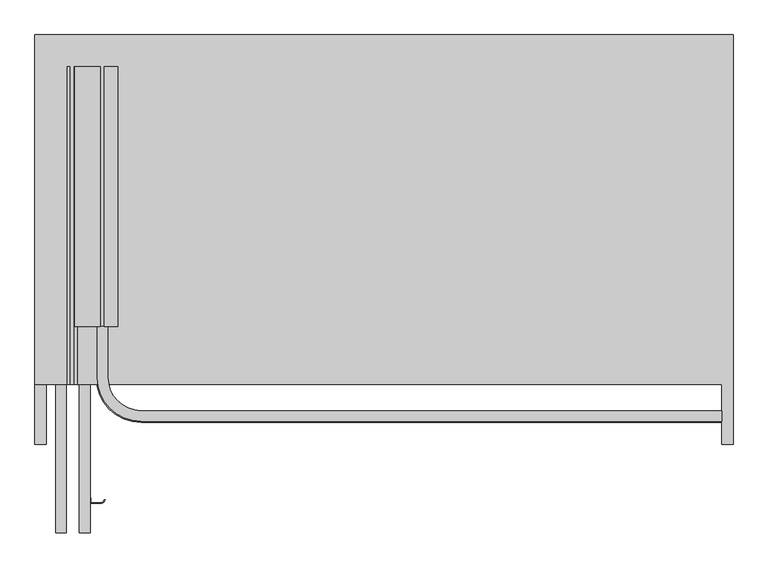
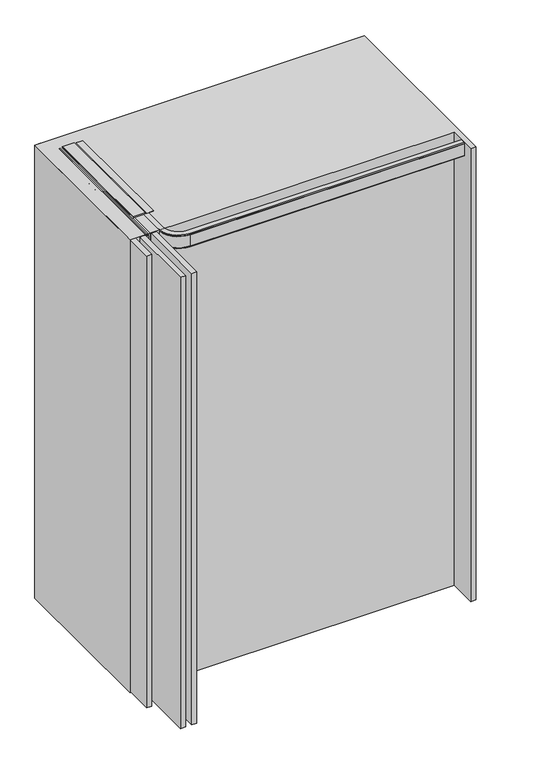
"""IFC4 building model written with IfcOpenShell, lengths in millimetres: furniture geometry."""

from ifc_helpers import new_model, si_unit, point, frame, frame_2d, origin, origin_with_axes, place, context, project, spatial, polyline, circle_curve, trimmed, segment, composite_curve, outline, extrude, faceted_brep, source, transform, mapped, element, save
from ifc_brep_helpers import plane_surface, cylinder_surface, revolved_surface, advanced_brep


def furniture_0ff66c88(model_context):
    return source(origin(), model_context, "Body", "SolidModel", [
        extrude(outline(composite_curve([segment(polyline([(-30.3, -211.2061986), (-13.2811682, -211.2061986)]), True, "CONTINUOUS"), segment(trimmed(circle_curve(frame_2d((-13.2811682, -204.2209172)), 6.9852814), [point((-13.2811682, -211.2061986))], [point((-6.5339045, -206.0288411))], True, "CARTESIAN"), True, "CONTINUOUS"), segment(polyline([(-6.5339045, -206.0288411), (-5.0850157, -206.4170696)]), True, "CONTINUOUS"), segment(trimmed(circle_curve(frame_2d((-13.2811682, -204.2209172)), 8.4852814), [point((-5.0850157, -206.4170696))], [point((-13.2811682, -212.7061986))], False, "CARTESIAN"), True, "CONTINUOUS"), segment(polyline([(-13.2811682, -212.7061986), (-31.8, -212.7061986), (-31.8, -202.7061986), (-30.3, -202.7061986), (-30.3, -211.2061986)]), True, "CONTINUOUS")], self_intersect=False)), frame((0.0, 0.0, 1110.0), z_axis=(0.0, 0.0, 1.0), x_axis=(1.0, 0.0, 0.0)), (0.0, 0.0, 1.0), 180.0),
        extrude(outline(polyline([(1807.9932635, 18.0), (1807.9932635, -6.170682), (1804.7432635, -6.170682), (1804.7432635, -3.85), (1802.2932635, -3.85), (1802.2932635, -15.85), (1804.7432635, -15.85), (1804.7432635, -13.6), (1810.9932635, -13.6), (1810.9932635, -59.4403391), (1807.0, -56.6442259), (1807.0, -60.2560852), (1801.0432635, -60.2560852), (1801.0432635, -58.0), (1798.7432635, -58.0), (1798.7432635, -70.0), (1801.0432635, -70.0), (1801.0432635, -67.75), (1803.6432635, -67.75), (1803.6432635, -72.0), (1795.3932635, -72.0), (1795.3932635, -67.5), (1792.7432635, -67.5), (1792.7432635, -69.75), (1790.7432635, -69.75), (1790.7432635, -58.25), (1792.7432635, -58.25), (1792.7432635, -60.5), (1795.3932635, -60.5), (1795.3932635, -55.0), (1807.0, -55.0), (1807.0, -20.85), (1752.9932635, -20.85), (1752.9932635, -14.4), (1759.2932635, -8.1), (1760.7932635, -8.1), (1760.7932635, -18.1), (1798.3932635, -18.1), (1798.3932635, -3.85), (1791.8932635, -3.85), (1791.8932635, 0.0), (1804.0042028, 0.0), (1804.0042028, 18.0), (1807.9932635, 18.0)])), frame((0.0, 102.7851791, 0.0), z_axis=(0.0, 1.0, 0.0), x_axis=(0.0, 0.0, 1.0)), (0.0, 0.0, 1.0), 463.2148209),
        advanced_brep(
        [(1094.0, -47.150158, 1791.899902), (1094.0, -47.150158, 1807.0), (1094.0, -66.000134, 1807.0), (1094.0, -66.000134, 1802.2), (1094.0, -68.000134, 1802.2), (1094.0, -68.000134, 1757.8), (1094.0, -66.000134, 1757.8), (1094.0, -66.000134, 1753.0), (1094.0, -61.000134, 1753.0), (1094.0, -61.000134, 1757.8), (1094.0, -55.250134, 1757.8), (1094.0, -55.250134, 1760.8), (1094.0, -65.250134, 1760.8), (1094.0, -65.250134, 1798.4), (1094.0, -51.050134, 1798.4), (1094.0, -51.050134, 1791.899902), (-2.4e-05, 102.7851791, 1791.899902), (-3.9, 102.7851791, 1791.899902), (-3.9, 102.7851791, 1798.4), (-18.1, 102.7851791, 1798.4), (-18.1, 102.7851791, 1760.8), (-8.1, 102.7851791, 1760.8), (-8.1, 102.7851791, 1757.8), (-13.85, 102.7851791, 1757.8), (-13.85, 102.7851791, 1753.0), (-18.85, 102.7851791, 1753.0), (-18.85, 102.7851791, 1757.8), (-20.85, 102.7851791, 1757.8), (-20.85, 102.7851791, 1802.2), (-18.85, 102.7851791, 1802.2), (-18.85, 102.7851791, 1807.0), (-2.4e-05, 102.7851791, 1807.0), (59.150134, -47.150158, 1791.899902), (59.150134, -47.150158, 1807.0), (-2.4e-05, 12.0, 1807.0), (-18.85, 12.0, 1807.0), (59.150134, -66.000134, 1807.0), (59.150134, -66.000134, 1802.2), (-18.85, 12.0, 1802.2), (-20.85, 12.0, 1802.2), (59.150134, -68.000134, 1802.2), (59.150134, -68.000134, 1757.8), (-20.85, 12.0, 1757.8), (-18.85, 12.0, 1757.8), (59.150134, -66.000134, 1757.8), (59.150134, -66.000134, 1753.0), (-18.85, 12.0, 1753.0), (-13.85, 12.0, 1753.0), (59.150134, -61.000134, 1753.0), (59.150134, -61.000134, 1757.8), (-13.85, 12.0, 1757.8), (-8.1, 12.0, 1757.8), (59.150134, -55.250134, 1757.8), (59.150134, -55.250134, 1760.8), (-8.1, 12.0, 1760.8), (-18.1, 12.0, 1760.8), (59.150134, -65.250134, 1760.8), (59.150134, -65.250134, 1798.4), (-18.1, 12.0, 1798.4), (-3.9, 12.0, 1798.4), (59.150134, -51.050134, 1798.4), (59.150134, -51.050134, 1791.899902), (-3.9, 12.0, 1791.899902), (-2.4e-05, 12.0, 1791.899902)],
        [
            (0, 1),
            (1, 2),
            (2, 3),
            (3, 4),
            (4, 5),
            (5, 6),
            (6, 7),
            (7, 8),
            (8, 9),
            (9, 10),
            (10, 11),
            (11, 12),
            (12, 13),
            (13, 14),
            (14, 15),
            (15, 0),
            (16, 17),
            (17, 18),
            (18, 19),
            (19, 20),
            (20, 21),
            (21, 22),
            (22, 23),
            (23, 24),
            (24, 25),
            (25, 26),
            (26, 27),
            (27, 28),
            (28, 29),
            (29, 30),
            (30, 31),
            (31, 16),
            (0, 32),
            (32, 33),
            (33, 1),
            (33, 34, circle_curve(frame((59.150134, 12.0, 1807.0), z_axis=(0.0, 0.0, -1.0), x_axis=(0.0, -1.0, 0.0)), 59.150158)),
            (34, 31),
            (30, 35),
            (35, 36, circle_curve(frame((59.150134, 12.0, 1807.0), z_axis=(0.0, 0.0, 1.0), x_axis=(0.0, -1.0, 0.0)), 78.000134)),
            (36, 2),
            (36, 37),
            (37, 3),
            (37, 38, circle_curve(frame((59.150134, 12.0, 1802.2), z_axis=(0.0, 0.0, -1.0), x_axis=(0.0, -1.0, 0.0)), 78.000134)),
            (38, 29),
            (28, 39),
            (39, 40, circle_curve(frame((59.150134, 12.0, 1802.2), z_axis=(0.0, 0.0, 1.0), x_axis=(0.0, -1.0, 0.0)), 80.000134)),
            (40, 4),
            (40, 41),
            (41, 5),
            (41, 42, circle_curve(frame((59.150134, 12.0, 1757.8), z_axis=(0.0, 0.0, -1.0), x_axis=(0.0, -1.0, 0.0)), 80.000134)),
            (42, 27),
            (26, 43),
            (43, 44, circle_curve(frame((59.150134, 12.0, 1757.8), z_axis=(0.0, 0.0, 1.0), x_axis=(0.0, -1.0, 0.0)), 78.000134)),
            (44, 6),
            (44, 45),
            (45, 7),
            (45, 46, circle_curve(frame((59.150134, 12.0, 1753.0), z_axis=(0.0, 0.0, -1.0), x_axis=(0.0, -1.0, 0.0)), 78.000134)),
            (46, 25),
            (24, 47),
            (47, 48, circle_curve(frame((59.150134, 12.0, 1753.0), z_axis=(0.0, 0.0, 1.0), x_axis=(0.0, -1.0, 0.0)), 73.000134)),
            (48, 8),
            (48, 49),
            (49, 9),
            (49, 50, circle_curve(frame((59.150134, 12.0, 1757.8), z_axis=(0.0, 0.0, -1.0), x_axis=(0.0, -1.0, 0.0)), 73.000134)),
            (50, 23),
            (22, 51),
            (51, 52, circle_curve(frame((59.150134, 12.0, 1757.8), z_axis=(0.0, 0.0, 1.0), x_axis=(0.0, -1.0, 0.0)), 67.250134)),
            (52, 10),
            (52, 53),
            (53, 11),
            (53, 54, circle_curve(frame((59.150134, 12.0, 1760.8), z_axis=(0.0, 0.0, -1.0), x_axis=(0.0, -1.0, 0.0)), 67.250134)),
            (54, 21),
            (20, 55),
            (55, 56, circle_curve(frame((59.150134, 12.0, 1760.8), z_axis=(0.0, 0.0, 1.0), x_axis=(0.0, -1.0, 0.0)), 77.250134)),
            (56, 12),
            (56, 57),
            (57, 13),
            (57, 58, circle_curve(frame((59.150134, 12.0, 1798.4), z_axis=(0.0, 0.0, -1.0), x_axis=(0.0, -1.0, 0.0)), 77.250134)),
            (58, 19),
            (18, 59),
            (59, 60, circle_curve(frame((59.150134, 12.0, 1798.4), z_axis=(0.0, 0.0, 1.0), x_axis=(0.0, -1.0, 0.0)), 63.050134)),
            (60, 14),
            (60, 61),
            (61, 15),
            (61, 62, circle_curve(frame((59.150134, 12.0, 1791.899902), z_axis=(0.0, 0.0, -1.0), x_axis=(0.0, -1.0, 0.0)), 63.050134)),
            (62, 17),
            (16, 63),
            (63, 32, circle_curve(frame((59.150134, 12.0, 1791.899902), z_axis=(0.0, 0.0, 1.0), x_axis=(0.0, -1.0, 0.0)), 59.150158)),
            (63, 34),
            (35, 38),
            (39, 42),
            (43, 46),
            (47, 50),
            (51, 54),
            (55, 58),
            (59, 62),
        ],
        [
            plane_surface(frame((1094.0, -88.0, 1807.0), z_axis=(1.0, 0.0, 0.0), x_axis=(0.0, 0.0, 1.0))),
            plane_surface(frame((-40.849866, 102.7851791, 1807.0), z_axis=(0.0, 1.0, 0.0), x_axis=(0.0, 0.0, 1.0))),
            plane_surface(frame((1094.0, -47.150158, 1791.899902), z_axis=(0.0, 1.0, 0.0), x_axis=(-1.0, 0.0, 0.0))),
            plane_surface(frame((1094.0, -47.150158, 1807.0), z_axis=(0.0, 0.0, 1.0), x_axis=(-1.0, 0.0, 0.0))),
            plane_surface(frame((1094.0, -66.000134, 1807.0), z_axis=(0.0, -1.0, 0.0), x_axis=(-1.0, 0.0, 0.0))),
            plane_surface(frame((1094.0, -66.000134, 1802.2), z_axis=(0.0, 0.0, 1.0), x_axis=(-1.0, 0.0, 0.0))),
            plane_surface(frame((1094.0, -68.000134, 1802.2), z_axis=(0.0, -1.0, 0.0), x_axis=(-1.0, 0.0, 0.0))),
            plane_surface(frame((1094.0, -68.000134, 1757.8), z_axis=(0.0, 0.0, -1.0), x_axis=(-1.0, 0.0, 0.0))),
            plane_surface(frame((1094.0, -66.000134, 1757.8), z_axis=(0.0, -1.0, 0.0), x_axis=(-1.0, 0.0, 0.0))),
            plane_surface(frame((1094.0, -66.000134, 1753.0), z_axis=(0.0, 0.0, -1.0), x_axis=(-1.0, 0.0, 0.0))),
            plane_surface(frame((1094.0, -61.000134, 1753.0), z_axis=(0.0, 1.0, 0.0), x_axis=(-1.0, 0.0, 0.0))),
            plane_surface(frame((1094.0, -61.000134, 1757.8), z_axis=(0.0, 0.0, -1.0), x_axis=(-1.0, 0.0, 0.0))),
            plane_surface(frame((1094.0, -55.250134, 1757.8), z_axis=(0.0, 1.0, 0.0), x_axis=(-1.0, 0.0, 0.0))),
            plane_surface(frame((1094.0, -55.250134, 1760.8), z_axis=(0.0, 0.0, 1.0), x_axis=(-1.0, 0.0, 0.0))),
            plane_surface(frame((1094.0, -65.250134, 1760.8), z_axis=(0.0, 1.0, 0.0), x_axis=(-1.0, 0.0, 0.0))),
            plane_surface(frame((1094.0, -65.250134, 1798.4), z_axis=(0.0, 0.0, -1.0), x_axis=(-1.0, 0.0, 0.0))),
            plane_surface(frame((1094.0, -51.050134, 1798.4), z_axis=(0.0, -1.0, 0.0), x_axis=(-1.0, 0.0, 0.0))),
            plane_surface(frame((1094.0, -51.050134, 1791.899902), z_axis=(0.0, 0.0, -1.0), x_axis=(-1.0, 0.0, 0.0))),
            revolved_surface(polyline([(59.150134, -47.150158, 1791.899902), (59.150134, -47.150158, 1807.0)]), (59.150134, 12.0, 1807.0), (0.0, 0.0, -1.0)),
            cylinder_surface(frame((59.150134, 12.0, 1807.0), z_axis=(0.0, 0.0, -1.0), x_axis=(0.0, -1.0, 0.0)), 78.000134),
            cylinder_surface(frame((59.150134, 12.0, 1807.0), z_axis=(0.0, 0.0, -1.0), x_axis=(0.0, -1.0, 0.0)), 80.000134),
            revolved_surface(polyline([(59.150134, -61.000134, 1753.0), (59.150134, -61.000134, 1757.8)]), (59.150134, 12.0, 1807.0), (0.0, 0.0, -1.0)),
            revolved_surface(polyline([(59.150134, -55.250134, 1757.8), (59.150134, -55.250134, 1760.8)]), (59.150134, 12.0, 1807.0), (0.0, 0.0, -1.0)),
            revolved_surface(polyline([(59.150134, -65.250134, 1760.8), (59.150134, -65.250134, 1798.4)]), (59.150134, 12.0, 1807.0), (0.0, 0.0, -1.0)),
            cylinder_surface(frame((59.150134, 12.0, 1807.0), z_axis=(0.0, 0.0, -1.0), x_axis=(0.0, -1.0, 0.0)), 63.050134),
            plane_surface(frame((-2.4e-05, 12.0, 1791.899902), z_axis=(1.0, 0.0, 0.0), x_axis=(0.0, 1.0, 0.0))),
            plane_surface(frame((-18.85, 12.0, 1807.0), z_axis=(-1.0, 0.0, 0.0), x_axis=(0.0, 1.0, 0.0))),
            plane_surface(frame((-20.85, 12.0, 1802.2), z_axis=(-1.0, 0.0, 0.0), x_axis=(0.0, 1.0, 0.0))),
            plane_surface(frame((-18.85, 12.0, 1757.8), z_axis=(-1.0, 0.0, 0.0), x_axis=(0.0, 1.0, 0.0))),
            plane_surface(frame((-13.85, 12.0, 1753.0), z_axis=(1.0, 0.0, 0.0), x_axis=(0.0, 1.0, 0.0))),
            plane_surface(frame((-8.1, 12.0, 1757.8), z_axis=(1.0, 0.0, 0.0), x_axis=(0.0, 1.0, 0.0))),
            plane_surface(frame((-18.1, 12.0, 1760.8), z_axis=(1.0, 0.0, 0.0), x_axis=(0.0, 1.0, 0.0))),
            plane_surface(frame((-3.9, 12.0, 1798.4), z_axis=(-1.0, 0.0, 0.0), x_axis=(0.0, 1.0, 0.0))),
        ],
        [
            (0, [[1, 2, 3, 4, 5, 6, 7, 8, 9, 10, 11, 12, 13, 14, 15, 16]]),
            (1, [[17, 18, 19, 20, 21, 22, 23, 24, 25, 26, 27, 28, 29, 30, 31, 32]]),
            (2, [[-1, 33, 34, 35]]),
            (3, [[-2, -35, 36, 37, -31, 38, 39, 40]]),
            (4, [[-3, -40, 41, 42]]),
            (5, [[-4, -42, 43, 44, -29, 45, 46, 47]]),
            (6, [[-5, -47, 48, 49]]),
            (7, [[-6, -49, 50, 51, -27, 52, 53, 54]]),
            (8, [[-7, -54, 55, 56]]),
            (9, [[-8, -56, 57, 58, -25, 59, 60, 61]]),
            (10, [[-9, -61, 62, 63]]),
            (11, [[-10, -63, 64, 65, -23, 66, 67, 68]]),
            (12, [[-11, -68, 69, 70]]),
            (13, [[-12, -70, 71, 72, -21, 73, 74, 75]]),
            (14, [[-13, -75, 76, 77]]),
            (15, [[-14, -77, 78, 79, -19, 80, 81, 82]]),
            (16, [[-15, -82, 83, 84]]),
            (17, [[-16, -84, 85, 86, -17, 87, 88, -33]]),
            (18, [[-36, -34, -88, 89]]),
            (19, [[-43, -41, -39, 90]]),
            (20, [[-50, -48, -46, 91]]),
            (19, [[-57, -55, -53, 92]]),
            (21, [[-64, -62, -60, 93]]),
            (22, [[-71, -69, -67, 94]]),
            (23, [[-78, -76, -74, 95]]),
            (24, [[-85, -83, -81, 96]]),
            (25, [[-89, -87, -32, -37]]),
            (26, [[-90, -38, -30, -44]]),
            (27, [[-91, -45, -28, -51]]),
            (28, [[-92, -52, -26, -58]]),
            (29, [[-93, -59, -24, -65]]),
            (30, [[-94, -66, -22, -72]]),
            (31, [[-95, -73, -20, -79]]),
            (32, [[-96, -80, -18, -86]]),
        ],
    ),
        extrude(outline(polyline([(-50.8, 334.7938014), (-31.8, 334.7938014), (-31.8, -265.2061986), (-50.8, -265.2061986), (-50.8, 334.7938014)])), frame((0.0, 0.0, 5.0), z_axis=(0.0, 0.0, 1.0), x_axis=(1.0, 0.0, 0.0)), (0.0, 0.0, 1.0), 1800.0),
        extrude(outline(polyline([(-92.8, 334.7938014), (-73.8, 334.7938014), (-73.8, -265.2061986), (-92.8, -265.2061986), (-92.8, 334.7938014)])), frame((0.0, 0.0, 5.0), z_axis=(0.0, 0.0, 1.0), x_axis=(1.0, 0.0, 0.0)), (0.0, 0.0, 1.0), 1800.0),
        advanced_brep(
        [(-75.6336873, 341.4313336, 1765.724276), (-75.6336873, 341.4313336, 1733.0547299), (-63.4737348, 341.4313336, 1733.0547299), (-63.4737348, 341.4313336, 1761.3495777), (-67.2507667, 341.4313336, 1761.3495777), (-71.625465, 341.4313336, 1765.724276), (-75.6336873, 400.6610822, 1765.724276), (-71.625465, 400.6610822, 1765.724276), (-67.2507667, 400.6610822, 1761.3495777), (-63.4737348, 400.6610822, 1761.3495777), (-63.4737348, 400.6610822, 1733.0547299), (-75.6336873, 400.6610822, 1733.0547299), (-63.4737348, 351.3737835, 1758.673583), (-63.4737348, 357.8061787, 1758.673583), (-63.4737348, 357.8061787, 1754.158508), (-63.4737348, 351.3737835, 1754.158508), (-63.4737348, 344.9413884, 1754.158508), (-63.4737348, 344.9413884, 1758.673583), (-63.4737348, 390.7487835, 1758.673583), (-63.4737348, 397.1811787, 1758.673583), (-63.4737348, 397.1811787, 1754.158508), (-63.4737348, 390.7487835, 1754.158508), (-63.4737348, 384.3163884, 1754.158508), (-63.4737348, 384.3163884, 1758.673583), (-57.5, 351.3737835, 1758.673583), (-57.5, 351.3737835, 1754.158508), (-57.5, 390.7487835, 1758.673583), (-57.5, 390.7487835, 1754.158508)],
        [
            (0, 1),
            (1, 2),
            (2, 3),
            (3, 4),
            (4, 5),
            (5, 0),
            (6, 7),
            (7, 8),
            (8, 9),
            (9, 10),
            (10, 11),
            (11, 6),
            (0, 6),
            (11, 1),
            (10, 2),
            (9, 3),
            (12, 13),
            (13, 14),
            (14, 15),
            (15, 16),
            (16, 17),
            (17, 12),
            (18, 19),
            (19, 20),
            (20, 21),
            (21, 22),
            (22, 23),
            (23, 18),
            (8, 4),
            (7, 5),
            (12, 24),
            (24, 13, circle_curve(frame((-63.950003, 351.3737835, 1758.673583), z_axis=(0.0, 0.0, 1.0), x_axis=(1.0, 0.0, 0.0)), 6.450003)),
            (17, 24, circle_curve(frame((-63.950003, 351.3737835, 1758.673583), z_axis=(0.0, 0.0, 1.0), x_axis=(1.0, 0.0, 0.0)), 6.450003)),
            (25, 15),
            (14, 25, circle_curve(frame((-63.950003, 351.3737835, 1754.158508), z_axis=(0.0, 0.0, -1.0), x_axis=(1.0, 0.0, 0.0)), 6.450003)),
            (25, 16, circle_curve(frame((-63.950003, 351.3737835, 1754.158508), z_axis=(0.0, 0.0, -1.0), x_axis=(1.0, 0.0, 0.0)), 6.450003)),
            (24, 25),
            (18, 26),
            (26, 19, circle_curve(frame((-63.950003, 390.7487835, 1758.673583), z_axis=(0.0, 0.0, 1.0), x_axis=(1.0, 0.0, 0.0)), 6.450003)),
            (23, 26, circle_curve(frame((-63.950003, 390.7487835, 1758.673583), z_axis=(0.0, 0.0, 1.0), x_axis=(1.0, 0.0, 0.0)), 6.450003)),
            (27, 21),
            (20, 27, circle_curve(frame((-63.950003, 390.7487835, 1754.158508), z_axis=(0.0, 0.0, -1.0), x_axis=(1.0, 0.0, 0.0)), 6.450003)),
            (27, 22, circle_curve(frame((-63.950003, 390.7487835, 1754.158508), z_axis=(0.0, 0.0, -1.0), x_axis=(1.0, 0.0, 0.0)), 6.450003)),
            (26, 27),
        ],
        [
            plane_surface(frame((-75.6336873, 341.4313336, 1765.724276), z_axis=(0.0, -1.0, 0.0), x_axis=(0.0, 0.0, -1.0))),
            plane_surface(frame((-75.6336873, 400.6610822, 1765.724276), z_axis=(0.0, 1.0, 0.0), x_axis=(0.0, 0.0, 1.0))),
            plane_surface(frame((-75.6336873, 341.4313336, 1765.724276), z_axis=(-1.0, 0.0, 0.0), x_axis=(0.0, 1.0, 0.0))),
            plane_surface(frame((-75.6336873, 341.4313336, 1733.0547299), z_axis=(0.0, 0.0, -1.0), x_axis=(0.0, 1.0, 0.0))),
            plane_surface(frame((-63.4737348, 341.4313336, 1733.0547299), z_axis=(1.0, 0.0, 0.0), x_axis=(0.0, 1.0, 0.0))),
            plane_surface(frame((-63.4737348, 341.4313336, 1761.3495777), z_axis=(0.0, 0.0, 1.0), x_axis=(0.0, 1.0, 0.0))),
            plane_surface(frame((-67.2507667, 341.4313336, 1761.3495777), z_axis=(0.7071067811865492, 0.0, 0.7071067811865459), x_axis=(0.0, 1.0, 0.0))),
            plane_surface(frame((-71.625465, 341.4313336, 1765.724276), z_axis=(0.0, 0.0, 1.0), x_axis=(0.0, 1.0, 0.0))),
            plane_surface(frame((-63.950003, 351.3737835, 1758.673583), z_axis=(0.0, 0.0, 1.0), x_axis=(1.0, 0.0, 0.0))),
            plane_surface(frame((-63.950003, 351.3737835, 1754.158508), z_axis=(0.0, 0.0, -1.0), x_axis=(1.0, 0.0, 0.0))),
            cylinder_surface(frame((-63.950003, 351.3737835, 1759.795738), z_axis=(0.0, 0.0, 1.0), x_axis=(1.0, 0.0, 0.0)), 6.450003),
            plane_surface(frame((-63.950003, 390.7487835, 1758.673583), z_axis=(0.0, 0.0, 1.0), x_axis=(1.0, 0.0, 0.0))),
            plane_surface(frame((-63.950003, 390.7487835, 1754.158508), z_axis=(0.0, 0.0, -1.0), x_axis=(1.0, 0.0, 0.0))),
            cylinder_surface(frame((-63.950003, 390.7487835, 1759.795738), z_axis=(0.0, 0.0, 1.0), x_axis=(1.0, 0.0, 0.0)), 6.450003),
        ],
        [
            (0, [[1, 2, 3, 4, 5, 6]]),
            (1, [[7, 8, 9, 10, 11, 12]]),
            (2, [[-1, 13, -12, 14]]),
            (3, [[-2, -14, -11, 15]]),
            (4, [[-3, -15, -10, 16], [17, 18, 19, 20, 21, 22], [23, 24, 25, 26, 27, 28]]),
            (5, [[-4, -16, -9, 29]]),
            (6, [[-5, -29, -8, 30]]),
            (7, [[-6, -30, -7, -13]]),
            (8, [[31, 32, -17]]),
            (8, [[-31, -22, 33]]),
            (9, [[34, -19, 35]]),
            (9, [[-34, 36, -20]]),
            (10, [[37, -35, -18, -32]]),
            (10, [[-37, -33, -21, -36]]),
            (11, [[38, 39, -23]]),
            (11, [[-38, -28, 40]]),
            (12, [[41, -25, 42]]),
            (12, [[-41, 43, -26]]),
            (13, [[44, -42, -24, -39]]),
            (13, [[-44, -40, -27, -43]]),
        ],
    ),
        advanced_brep(
        [(-67.900202, 390.7487835, 1784.308626), (-67.900202, 390.7487835, 1769.308626), (-67.900202, 390.7487835, 1799.308626), (-66.9872489, 390.7487835, 1769.308626), (-66.9872489, 390.7487835, 1799.308626), (-59.900202, 390.7487835, 1799.308626), (-59.900202, 390.7487835, 1769.308626), (-59.900202, 390.7487835, 1779.2712731), (-59.900202, 390.7487835, 1789.3459789), (-58.400202, 390.7487835, 1780.3215844), (-58.400202, 390.7487835, 1788.2956676), (-58.400202, 390.7487835, 1784.308626), (-60.9142761, 390.7487835, 1799.308626), (-60.9142761, 390.7487835, 1769.308626), (-62.91385, 390.7487835, 1797.3090521), (-62.91385, 390.7487835, 1771.3081999), (-64.9876751, 390.7487835, 1797.3090521), (-64.9876751, 390.7487835, 1771.3081999)],
        [
            (0, 1),
            (1, 2, circle_curve(frame((-67.900202, 390.7487835, 1784.308626), z_axis=(-1.0, 0.0, 0.0), x_axis=(0.0, 0.0, -1.0)), 15.0)),
            (2, 0),
            (2, 1, circle_curve(frame((-67.900202, 390.7487835, 1784.308626), z_axis=(-1.0, 0.0, 0.0), x_axis=(0.0, 0.0, -1.0)), 15.0)),
            (1, 3),
            (3, 4, circle_curve(frame((-66.9872489, 390.7487835, 1784.308626), z_axis=(-1.0, 0.0, 0.0), x_axis=(0.0, 0.0, -1.0)), 15.0)),
            (4, 2),
            (4, 3, circle_curve(frame((-66.9872489, 390.7487835, 1784.308626), z_axis=(-1.0, 0.0, 0.0), x_axis=(0.0, 0.0, -1.0)), 15.0)),
            (5, 6, circle_curve(frame((-59.900202, 390.7487835, 1784.308626), z_axis=(1.0, 0.0, 0.0), x_axis=(0.0, 0.0, -1.0)), 15.0)),
            (6, 7),
            (7, 8, circle_curve(frame((-59.900202, 390.7487835, 1784.308626), z_axis=(-1.0, 0.0, 0.0), x_axis=(0.0, 0.0, -1.0)), 5.0373529)),
            (8, 5),
            (6, 5, circle_curve(frame((-59.900202, 390.7487835, 1784.308626), z_axis=(1.0, 0.0, 0.0), x_axis=(0.0, 0.0, -1.0)), 15.0)),
            (8, 7, circle_curve(frame((-59.900202, 390.7487835, 1784.308626), z_axis=(-1.0, 0.0, 0.0), x_axis=(0.0, 0.0, -1.0)), 5.0373529)),
            (7, 9),
            (9, 10, circle_curve(frame((-58.400202, 390.7487835, 1784.308626), z_axis=(-1.0, 0.0, 0.0), x_axis=(0.0, 0.0, -1.0)), 3.9870416)),
            (10, 8),
            (10, 9, circle_curve(frame((-58.400202, 390.7487835, 1784.308626), z_axis=(-1.0, 0.0, 0.0), x_axis=(0.0, 0.0, -1.0)), 3.9870416)),
            (9, 11),
            (11, 10),
            (12, 13, circle_curve(frame((-60.9142761, 390.7487835, 1784.308626), z_axis=(1.0, 0.0, 0.0), x_axis=(0.0, 0.0, -1.0)), 15.0)),
            (13, 6),
            (5, 12),
            (13, 12, circle_curve(frame((-60.9142761, 390.7487835, 1784.308626), z_axis=(1.0, 0.0, 0.0), x_axis=(0.0, 0.0, -1.0)), 15.0)),
            (14, 15, circle_curve(frame((-62.91385, 390.7487835, 1784.308626), z_axis=(1.0, 0.0, 0.0), x_axis=(0.0, 0.0, -1.0)), 13.0004261)),
            (15, 13),
            (12, 14),
            (15, 14, circle_curve(frame((-62.91385, 390.7487835, 1784.308626), z_axis=(1.0, 0.0, 0.0), x_axis=(0.0, 0.0, -1.0)), 13.0004261)),
            (16, 17, circle_curve(frame((-64.9876751, 390.7487835, 1784.308626), z_axis=(1.0, 0.0, 0.0), x_axis=(0.0, 0.0, -1.0)), 13.0004261)),
            (17, 15),
            (14, 16),
            (17, 16, circle_curve(frame((-64.9876751, 390.7487835, 1784.308626), z_axis=(1.0, 0.0, 0.0), x_axis=(0.0, 0.0, -1.0)), 13.0004261)),
            (3, 17),
            (16, 4),
        ],
        [
            plane_surface(frame((-67.900202, 390.7487835, 1784.308626), z_axis=(-1.0, 0.0, 0.0), x_axis=(0.0, 0.0, -1.0))),
            cylinder_surface(frame((-58.400202, 390.7487835, 1784.308626), z_axis=(-1.0, 0.0, 0.0), x_axis=(0.0, 0.0, -1.0)), 15.0),
            plane_surface(frame((-59.900202, 390.7487835, 1784.308626), z_axis=(1.0, 0.0, 0.0), x_axis=(0.0, 0.0, -1.0))),
            revolved_surface(polyline([(-58.400202, 390.7487835, 1780.3215844), (-59.900202, 390.7487835, 1779.2712731)]), (-58.400202, 390.7487835, 1784.308626), (-1.0, 0.0, 0.0)),
            plane_surface(frame((-58.400202, 390.7487835, 1784.308626), z_axis=(1.0, 0.0, 0.0), x_axis=(0.0, 0.0, -1.0))),
            revolved_surface(polyline([(-60.9142761, 390.7487835, 1769.308626), (-62.91385, 390.7487835, 1771.3081999)]), (-58.400202, 390.7487835, 1784.308626), (-1.0, 0.0, 0.0)),
            cylinder_surface(frame((-58.400202, 390.7487835, 1784.308626), z_axis=(-1.0, 0.0, 0.0), x_axis=(0.0, 0.0, -1.0)), 13.0004261),
            revolved_surface(polyline([(-64.9876751, 390.7487835, 1771.3081999), (-66.9872489, 390.7487835, 1769.308626)]), (-58.400202, 390.7487835, 1784.308626), (-1.0, 0.0, 0.0)),
        ],
        [
            (0, [[1, 2, 3]]),
            (0, [[-3, 4, -1]]),
            (1, [[-2, 5, 6, 7]]),
            (1, [[-4, -7, 8, -5]]),
            (2, [[9, 10, 11, 12]]),
            (2, [[13, -12, 14, -10]]),
            (3, [[-11, 15, 16, 17]]),
            (3, [[-14, -17, 18, -15]]),
            (4, [[-16, 19, 20]]),
            (4, [[-18, -20, -19]]),
            (1, [[21, 22, -9, 23]]),
            (1, [[24, -23, -13, -22]]),
            (5, [[25, 26, -21, 27]]),
            (5, [[28, -27, -24, -26]]),
            (6, [[29, 30, -25, 31]]),
            (6, [[32, -31, -28, -30]]),
            (7, [[-6, 33, -29, 34]]),
            (7, [[-8, -34, -32, -33]]),
        ],
    ),
        extrude(outline(polyline([(-67.4751845, 388.4861406), (-67.4751845, 391.9999415), (-64.9743712, 391.9999415), (-64.9743712, 385.1939307), (-66.8013734, 383.3669285), (-66.8013734, 369.7805844), (-64.9743712, 367.9535822), (-64.9743712, 361.0924743), (-67.4751845, 361.0924743), (-67.4751845, 364.6702163), (-68.7451872, 364.6702163), (-70.714577, 366.6396061), (-70.714577, 386.6396061), (-68.8680425, 388.4861406), (-67.4751845, 388.4861406)])), frame((0.0, 0.0, 1714.5347501), z_axis=(0.0, 0.0, 1.0), x_axis=(1.0, 0.0, 0.0)), (0.0, 0.0, 1.0), 18.5199799),
        extrude(outline(polyline([(-67.7993712, 362.8210213), (-73.2501515, 362.8210213), (-73.2501515, 379.2313986), (-67.7993712, 379.2313986), (-67.7993712, 362.8210213)])), frame((0.0, 0.0, 1761.3495777), z_axis=(0.0, 0.0, 1.0), x_axis=(1.0, 0.0, 0.0)), (0.0, 0.0, 1.0), 16.9521965),
        advanced_brep(
        [(-67.900202, 351.3737835, 1784.125), (-67.900202, 351.3737835, 1769.125), (-67.900202, 351.3737835, 1799.125), (-66.9872489, 351.3737835, 1769.125), (-66.9872489, 351.3737835, 1799.125), (-59.900202, 351.3737835, 1799.125), (-59.900202, 351.3737835, 1769.125), (-59.900202, 351.3737835, 1779.0876471), (-59.900202, 351.3737835, 1789.1623529), (-58.400202, 351.3737835, 1780.1379584), (-58.400202, 351.3737835, 1788.1120416), (-58.400202, 351.3737835, 1784.125), (-60.9142761, 351.3737835, 1799.125), (-60.9142761, 351.3737835, 1769.125), (-62.91385, 351.3737835, 1797.1254261), (-62.91385, 351.3737835, 1771.1245739), (-64.9876751, 351.3737835, 1797.1254261), (-64.9876751, 351.3737835, 1771.1245739)],
        [
            (0, 1),
            (1, 2, circle_curve(frame((-67.900202, 351.3737835, 1784.125), z_axis=(-1.0, 0.0, 0.0), x_axis=(0.0, 0.0, -1.0)), 15.0)),
            (2, 0),
            (2, 1, circle_curve(frame((-67.900202, 351.3737835, 1784.125), z_axis=(-1.0, 0.0, 0.0), x_axis=(0.0, 0.0, -1.0)), 15.0)),
            (1, 3),
            (3, 4, circle_curve(frame((-66.9872489, 351.3737835, 1784.125), z_axis=(-1.0, 0.0, 0.0), x_axis=(0.0, 0.0, -1.0)), 15.0)),
            (4, 2),
            (4, 3, circle_curve(frame((-66.9872489, 351.3737835, 1784.125), z_axis=(-1.0, 0.0, 0.0), x_axis=(0.0, 0.0, -1.0)), 15.0)),
            (5, 6, circle_curve(frame((-59.900202, 351.3737835, 1784.125), z_axis=(1.0, 0.0, 0.0), x_axis=(0.0, 0.0, -1.0)), 15.0)),
            (6, 7),
            (7, 8, circle_curve(frame((-59.900202, 351.3737835, 1784.125), z_axis=(-1.0, 0.0, 0.0), x_axis=(0.0, 0.0, -1.0)), 5.0373529)),
            (8, 5),
            (6, 5, circle_curve(frame((-59.900202, 351.3737835, 1784.125), z_axis=(1.0, 0.0, 0.0), x_axis=(0.0, 0.0, -1.0)), 15.0)),
            (8, 7, circle_curve(frame((-59.900202, 351.3737835, 1784.125), z_axis=(-1.0, 0.0, 0.0), x_axis=(0.0, 0.0, -1.0)), 5.0373529)),
            (7, 9),
            (9, 10, circle_curve(frame((-58.400202, 351.3737835, 1784.125), z_axis=(-1.0, 0.0, 0.0), x_axis=(0.0, 0.0, -1.0)), 3.9870416)),
            (10, 8),
            (10, 9, circle_curve(frame((-58.400202, 351.3737835, 1784.125), z_axis=(-1.0, 0.0, 0.0), x_axis=(0.0, 0.0, -1.0)), 3.9870416)),
            (9, 11),
            (11, 10),
            (12, 13, circle_curve(frame((-60.9142761, 351.3737835, 1784.125), z_axis=(1.0, 0.0, 0.0), x_axis=(0.0, 0.0, -1.0)), 15.0)),
            (13, 6),
            (5, 12),
            (13, 12, circle_curve(frame((-60.9142761, 351.3737835, 1784.125), z_axis=(1.0, 0.0, 0.0), x_axis=(0.0, 0.0, -1.0)), 15.0)),
            (14, 15, circle_curve(frame((-62.91385, 351.3737835, 1784.125), z_axis=(1.0, 0.0, 0.0), x_axis=(0.0, 0.0, -1.0)), 13.0004261)),
            (15, 13),
            (12, 14),
            (15, 14, circle_curve(frame((-62.91385, 351.3737835, 1784.125), z_axis=(1.0, 0.0, 0.0), x_axis=(0.0, 0.0, -1.0)), 13.0004261)),
            (16, 17, circle_curve(frame((-64.9876751, 351.3737835, 1784.125), z_axis=(1.0, 0.0, 0.0), x_axis=(0.0, 0.0, -1.0)), 13.0004261)),
            (17, 15),
            (14, 16),
            (17, 16, circle_curve(frame((-64.9876751, 351.3737835, 1784.125), z_axis=(1.0, 0.0, 0.0), x_axis=(0.0, 0.0, -1.0)), 13.0004261)),
            (3, 17),
            (16, 4),
        ],
        [
            plane_surface(frame((-67.900202, 351.3737835, 1784.125), z_axis=(-1.0, 0.0, 0.0), x_axis=(0.0, 0.0, -1.0))),
            cylinder_surface(frame((-58.400202, 351.3737835, 1784.125), z_axis=(-1.0, 0.0, 0.0), x_axis=(0.0, 0.0, -1.0)), 15.0),
            plane_surface(frame((-59.900202, 351.3737835, 1784.125), z_axis=(1.0, 0.0, 0.0), x_axis=(0.0, 0.0, -1.0))),
            revolved_surface(polyline([(-58.400202, 351.3737835, 1780.1379584), (-59.900202, 351.3737835, 1779.0876471)]), (-58.400202, 351.3737835, 1784.125), (-1.0, 0.0, 0.0)),
            plane_surface(frame((-58.400202, 351.3737835, 1784.125), z_axis=(1.0, 0.0, 0.0), x_axis=(0.0, 0.0, -1.0))),
            revolved_surface(polyline([(-60.9142761, 351.3737835, 1769.125), (-62.91385, 351.3737835, 1771.1245739)]), (-58.400202, 351.3737835, 1784.125), (-1.0, 0.0, 0.0)),
            cylinder_surface(frame((-58.400202, 351.3737835, 1784.125), z_axis=(-1.0, 0.0, 0.0), x_axis=(0.0, 0.0, -1.0)), 13.0004261),
            revolved_surface(polyline([(-64.9876751, 351.3737835, 1771.1245739), (-66.9872489, 351.3737835, 1769.125)]), (-58.400202, 351.3737835, 1784.125), (-1.0, 0.0, 0.0)),
        ],
        [
            (0, [[1, 2, 3]]),
            (0, [[-3, 4, -1]]),
            (1, [[-2, 5, 6, 7]]),
            (1, [[-4, -7, 8, -5]]),
            (2, [[9, 10, 11, 12]]),
            (2, [[13, -12, 14, -10]]),
            (3, [[-11, 15, 16, 17]]),
            (3, [[-14, -17, 18, -15]]),
            (4, [[-16, 19, 20]]),
            (4, [[-18, -20, -19]]),
            (1, [[21, 22, -9, 23]]),
            (1, [[24, -23, -13, -22]]),
            (5, [[25, 26, -21, 27]]),
            (5, [[28, -27, -24, -26]]),
            (6, [[29, 30, -25, 31]]),
            (6, [[32, -31, -28, -30]]),
            (7, [[-6, 33, -29, 34]]),
            (7, [[-8, -34, -32, -33]]),
        ],
    ),
        extrude(outline(polyline([(-67.7993712, 336.8460257), (-75.365636, 336.8460257), (-75.365636, 405.2027957), (-67.7993712, 405.2027957), (-67.7993712, 336.8460257)])), frame((0.0, 0.0, 1778.3017742), z_axis=(0.0, 0.0, 1.0), x_axis=(1.0, 0.0, 0.0)), (0.0, 0.0, 1.0), 11.7055952),
        extrude(outline(polyline([(19.0, -72.0), (0.0, -72.0), (0.0, -67.75), (2.25, -67.75), (2.25, -70.0), (4.9, -70.0), (4.9, -58.0), (2.25, -58.0), (2.25, -60.25), (0.0, -60.25), (0.0, -55.0), (58.5663764, -55.0), (59.0913089, -61.0), (56.1547673, -61.0), (56.1547673, -57.5), (40.5, -57.5), (40.5, -61.0), (37.5, -61.0), (37.5, -58.0104888), (7.5, -58.0104888), (7.5, -70.0), (19.0, -70.0), (19.0, -72.0)])), frame((0.0, 0.0, 0.0), z_axis=(0.0, 1.0, 0.0), x_axis=(0.0, 0.0, 1.0)), (0.0, 0.0, 1.0), 566.0),
        extrude(outline(composite_curve([segment(polyline([(1795.0, -70.0), (1799.5, -70.0), (1799.5, -58.0104888), (1768.5, -58.0104888), (1768.5, -61.2084017)]), True, "CONTINUOUS"), segment(trimmed(circle_curve(frame_2d((1767.9551158, -63.95)), 2.7952209), [point((1768.5, -61.2084017))], [point((1769.1, -66.5))], False, "CARTESIAN"), True, "CONTINUOUS"), segment(polyline([(1769.1, -66.5), (1766.0, -66.5), (1766.0, -57.5), (1750.8452327, -57.5), (1750.8452327, -61.0), (1747.9086911, -61.0), (1748.4336236, -55.0), (1807.0, -55.0), (1807.0, -60.25), (1804.75, -60.25), (1804.75, -58.0), (1802.1, -58.0), (1802.1, -70.0), (1804.75, -70.0), (1804.75, -67.75), (1807.0, -67.75), (1807.0, -72.0), (1795.0, -72.0), (1795.0, -70.0)]), True, "CONTINUOUS")], self_intersect=False)), frame((0.0, 0.0, 0.0), z_axis=(0.0, 1.0, 0.0), x_axis=(0.0, 0.0, 1.0)), (0.0, 0.0, 1.0), 566.0),
        faceted_brep([(-70.8313044, 49.5061401, 35.9), (-70.8313044, 73.7061401, 35.9), (-70.8313044, 73.7061401, 23.9), (-70.8313044, 49.5061401, 23.9), (-68.8052444, 73.7061401, 35.9), (-68.8052444, 49.5061401, 35.9), (-68.8052444, 49.5061401, 23.9), (-68.8052444, 73.7061401, 23.9), (-69.2052444, 73.7061401, 23.9), (-69.2052444, 73.7061401, 21.301924), (-69.2052444, 49.5061401, 21.301924), (-69.2052444, 49.5061401, 23.9), (-65.2052444, 86.5061401, 23.9), (-69.2052444, 82.5061401, 23.9), (-69.2052444, 40.5061401, 23.9), (-65.2052444, 36.5061401, 23.9), (-62.8052444, 36.5061401, 23.9), (-58.8052444, 40.5061401, 23.9), (-58.8052444, 82.5254862, 23.9), (-62.7858983, 86.5061401, 23.9), (-58.8052444, 75.0061401, 11.0920874), (-58.8052444, 47.8601898, 11.0920874), (-69.2052444, 47.8601898, 11.0920874), (-69.2052444, 75.0061401, 11.0920874), (-65.2052444, 86.5061401, 16.45), (-69.2052444, 82.5061401, 16.45), (-69.2052444, 47.8601898, 16.45), (-69.2052444, 40.5061401, 16.45), (-69.2052444, 75.0061401, 16.45), (-69.2052444, 69.0061401, 17.2), (-69.2052444, 54.0061401, 17.2), (-69.2052444, 54.0061401, 13.4378021), (-69.2052444, 69.0061401, 13.4378021), (-65.2052444, 36.5061401, 16.45), (-62.8052444, 36.5061401, 16.45), (-58.8052444, 40.5061401, 16.45), (-58.8052444, 47.8601898, 16.45), (-58.8052444, 75.0061401, 16.45), (-58.8052444, 82.5254862, 16.45), (-58.8052444, 54.0061401, 17.2), (-58.8052444, 69.0061401, 17.2), (-58.8052444, 69.0061401, 13.4378021), (-58.8052444, 54.0061401, 13.4378021), (-62.7858983, 86.5061401, 16.45)], [[[0, 1, 2, 3]], [[4, 5, 6, 7]], [[1, 0, 5, 4]], [[1, 4, 7, 8, 9, 2]], [[5, 0, 3, 10, 11, 6]], [[3, 2, 9, 10]], [[12, 13, 8, 7, 6, 11, 14, 15, 16, 17, 18, 19]], [[20, 21, 22, 23]], [[13, 12, 24, 25]], [[23, 22, 26, 27, 14, 11, 10, 9, 8, 13, 25, 28], [29, 30, 31, 32]], [[15, 14, 27, 33]], [[16, 15, 33, 34]], [[17, 16, 34, 35]], [[18, 17, 35, 36, 21, 20, 37, 38], [39, 40, 41, 42]], [[19, 18, 38, 43]], [[12, 19, 43, 24]], [[37, 28, 25, 24, 43, 38]], [[28, 37, 20, 23]], [[29, 40, 39, 30]], [[40, 29, 32, 41]], [[30, 39, 42, 31]], [[26, 36, 35, 34, 33, 27]], [[36, 26, 22, 21]], [[41, 32, 31, 42]]]),
        extrude(outline(composite_curve([segment(trimmed(circle_curve(frame_2d((-64.0052444, 42.1831649)), 5.75), [point((-64.0052444, 47.9331649))], [point((-64.0052444, 36.4331649))], False, "CARTESIAN"), True, "CONTINUOUS"), segment(trimmed(circle_curve(frame_2d((-64.0052444, 42.1831649)), 5.75), [point((-64.0052444, 36.4331649))], [point((-64.0052444, 47.9331649))], False, "CARTESIAN"), True, "CONTINUOUS")], self_intersect=False)), frame((0.0, 0.0, 8.65), z_axis=(0.0, 0.0, 1.0), x_axis=(1.0, 0.0, 0.0)), (0.0, 0.0, 1.0), 7.3),
        extrude(outline(composite_curve([segment(trimmed(circle_curve(frame_2d((-64.0052444, 61.5061401)), 5.75), [point((-64.0052444, 67.2561401))], [point((-64.0052444, 55.7561401))], False, "CARTESIAN"), True, "CONTINUOUS"), segment(trimmed(circle_curve(frame_2d((-64.0052444, 61.5061401)), 5.75), [point((-64.0052444, 55.7561401))], [point((-64.0052444, 67.2561401))], False, "CARTESIAN"), True, "CONTINUOUS")], self_intersect=False)), frame((0.0, 0.0, 13.4378021), z_axis=(0.0, 0.0, 1.0), x_axis=(1.0, 0.0, 0.0)), (0.0, 0.0, 1.0), 3.7621979),
        extrude(outline(composite_curve([segment(trimmed(circle_curve(frame_2d((-64.0052444, 80.7561401)), 5.75), [point((-64.0052444, 86.5061401))], [point((-64.0052444, 75.0061401))], False, "CARTESIAN"), True, "CONTINUOUS"), segment(trimmed(circle_curve(frame_2d((-64.0052444, 80.7561401)), 5.75), [point((-64.0052444, 75.0061401))], [point((-64.0052444, 86.5061401))], False, "CARTESIAN"), True, "CONTINUOUS")], self_intersect=False)), frame((0.0, 0.0, 8.65), z_axis=(0.0, 0.0, 1.0), x_axis=(1.0, 0.0, 0.0)), (0.0, 0.0, 1.0), 7.3),
        extrude(outline(polyline([(-8.4980052, 11.2885508), (-8.4980052, 24.9437822), (-1.5019948, 24.9437822), (-1.5019948, 11.2885508), (-2.9019839, 8.7447792), (-2.9019839, -8.7447792), (-1.5019948, -11.2885508), (-1.5019948, -24.9437822), (-8.4980052, -24.9437822), (-8.4980052, -11.2885508), (-7.0980161, -8.7447792), (-7.0980161, 8.7447792), (-8.4980052, 11.2885508)])), frame((-85.0, 536.0, 265.0), z_axis=(0.0, -0.17770968495890363, 0.9840829578200241), x_axis=(1.0, 0.0, 0.0)), (0.0, 0.0, 1.0), 900.0),
        extrude(outline(polyline([(1.5019948, -11.2885508), (2.9019839, -8.7447792), (2.9019839, 8.7447793), (1.5019948, 11.288551), (1.5019948, 24.9437822), (8.4980052, 24.9437822), (8.4980052, 11.288551), (7.0980161, 8.7447793), (7.0980161, -8.7447792), (8.4980052, -11.2885508), (8.4980052, -24.9437822), (1.5019948, -24.9437822), (1.5019948, -11.2885508)])), frame((-85.0, 376.0612835, 279.325338), z_axis=(0.0, 0.17770968495890263, 0.9840829578200243), x_axis=(1.0, 0.0, 0.0)), (0.0, 0.0, 1.0), 900.0),
        extrude(outline(polyline([(-69.6, 394.2938014), (-61.85, 394.2938014), (-61.85, 356.2938014), (-63.85, 354.2938014), (-66.1, 354.2938014), (-67.6, 352.7938014), (-67.6, 346.8658957), (-64.1, 348.8866216), (-64.1, 343.2938014), (-65.1, 343.2938014), (-66.1, 344.2938014), (-69.7999998, 344.2938014), (-70.99707, 347.5827258), (-76.16538, 345.7016144), (-80.2566983, 343.7938014), (-84.1, 343.7938014), (-84.1, 341.4938014), (-81.3, 341.4938014), (-81.3, 339.7938014), (-86.6, 339.7938014), (-86.6, 346.2938014), (-81.35, 346.2938014), (-78.35, 349.2938014), (-78.35, 357.7938014), (-69.6, 357.7938014), (-69.6, 362.5938014), (-67.2, 362.5938014), (-67.2, 359.0938014), (-64.6, 359.0938014), (-64.6, 366.7938014), (-65.6, 367.7938014), (-65.6, 381.7938014), (-64.6, 382.7938014), (-64.6, 390.4938014), (-67.2, 390.4938014), (-67.2, 386.9938014), (-69.6, 386.9938014), (-69.6, 394.2938014)])), frame((0.0, 0.0, 23.9), z_axis=(0.0, 0.0, 1.0), x_axis=(1.0, 0.0, 0.0)), (0.0, 0.0, 1.0), 1708.9704202),
        extrude(outline(polyline([(1094.0, 0.0), (-130.0, 0.0), (-130.0, 623.0), (1114.0, 623.0), (1114.0, -107.0), (1094.0, -107.0), (1094.0, 0.0)])), origin_with_axes(), (0.0, 0.0, 1.0), 1807.0),
        extrude(outline(polyline([(-130.0, 623.0), (-110.0, 623.0), (-110.0, -107.0), (-130.0, -107.0), (-130.0, 623.0)])), frame((0.0, 0.0, 5.0), z_axis=(0.0, 0.0, 1.0), x_axis=(1.0, 0.0, 0.0)), (0.0, 0.0, 1.0), 1802.0),
    ])


if __name__ == "__main__":
    model = new_model("IFC4")
    model_context = context("Model", 3, world=origin())
    ifc_project = project(units=[si_unit("LENGTHUNIT", "METRE", prefix="MILLI")], contexts=[model_context])
    site = spatial("IfcSite", under=ifc_project)
    building = spatial("IfcBuilding", under=site)
    placement = place(None, origin())
    furniture_shape = furniture_0ff66c88(model_context)
    element("IfcFurniture", 1, at=placement, inside=building, context=model_context, shape_type="MappedRepresentation", body=[
        mapped(furniture_shape, transform((0.0, 0.0, 0.0), x_axis=(1.0, 0.0, 0.0), y_axis=(0.0, 1.0, 0.0), z_axis=(0.0, 0.0, 1.0))),
    ])
    save(model, "model.ifc")
